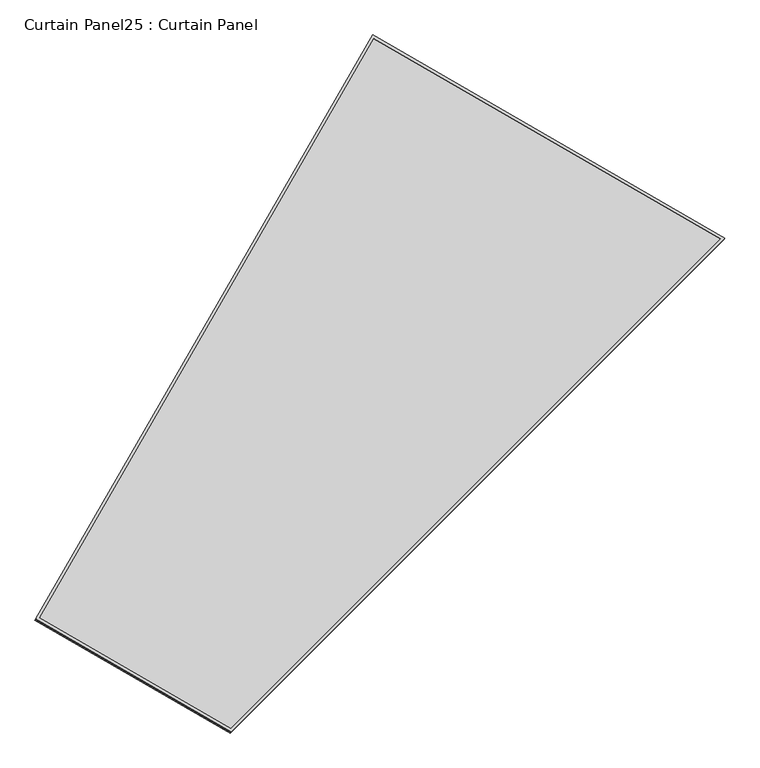
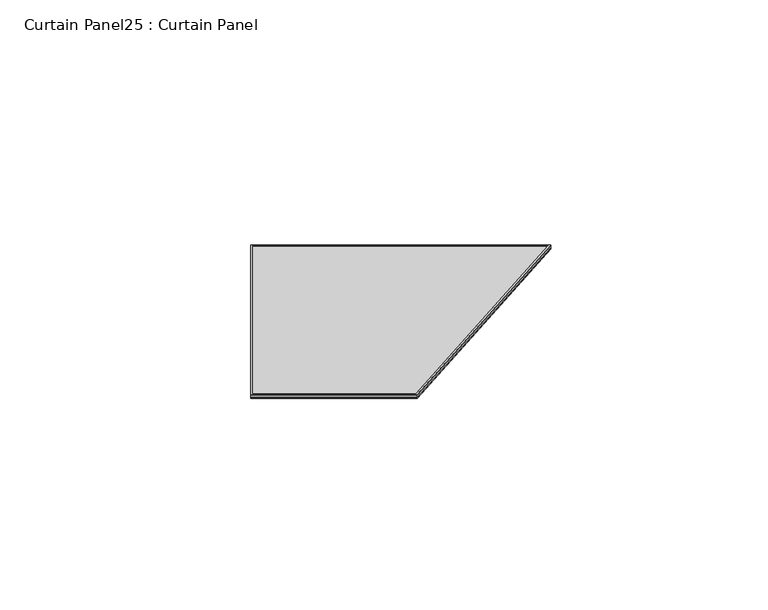
"""IFC4 building model written with IfcOpenShell, lengths in millimetres: plate geometry, Curtain Panel25 : Curtain Panel."""

from ifc_helpers import new_model, si_unit, frame, origin, place, context, project, spatial, polyline, outline, extrude, source, transform, mapped, element, save


def curtain_panel25_curtain_panel_ca54e1e8(model_context):
    return source(origin(), model_context, "Body", "SweptSolid", [
        extrude(outline(polyline([(903.3982322, -2842.276264), (0.0, -2842.276264), (0.0, 0.0), (1625.9225981, -1e-07), (903.3982322, -2842.276264)]), holes=[polyline([(1611.6318022, -11.1125), (11.1125, -11.1125), (11.1125, -2831.163764), (894.7571701, -2831.1637639), (1611.6318022, -11.1125)])]), frame((17732.3250204, 9022.9247285, -9.1330509), z_axis=(0.15807291198690562, 0.2737903148616777, 0.9487106081329141), x_axis=(0.8660254037844339, -0.5000000000000083, 0.0)), (0.0, 0.0, 1.0), 4.8214174),
        extrude(outline(polyline([(903.3982324, -2842.276264), (0.0, -2842.276264), (0.0, 0.0), (1625.9225981, -1e-07), (903.3982324, -2842.276264)]), holes=[polyline([(1611.6318022, -11.1125001), (11.1125001, -11.1125), (11.1125, -2831.163764), (894.7571701, -2831.163764), (1611.6318022, -11.1125001)])]), frame((17729.5354451, 9018.0930424, -25.8753228), z_axis=(0.1580729119869057, 0.2737903148616775, 0.9487106081329142), x_axis=(0.8660254037844336, -0.5000000000000088, 0.0)), (0.0, 0.0, 1.0), 4.4447907),
        extrude(outline(polyline([(-596.6683727, 0.0), (1029.2542254, 0.0), (306.7298596, -2842.2762639), (-596.6683728, -2842.276264), (-596.6683727, 0.0)])), frame((18246.9680145, 8720.9757966, -21.6585028), z_axis=(0.15807291198690576, 0.27379031486167754, 0.9487106081329141), x_axis=(0.866025403784433, -0.5000000000000098, 0.0)), (0.0, 0.0, 1.0), 13.2026054),
    ])


if __name__ == "__main__":
    model = new_model("IFC4")
    model_context = context("Model", 3, world=origin())
    ifc_project = project(units=[si_unit("LENGTHUNIT", "METRE", prefix="MILLI")], contexts=[model_context])
    site = spatial("IfcSite", under=ifc_project)
    building = spatial("IfcBuilding", under=site)
    placement = place(None, origin())
    curtain_panel25_curtain_panel_shape = curtain_panel25_curtain_panel_ca54e1e8(model_context)
    element("IfcPlate", 1, ObjectType="Curtain Panel25 : Curtain Panel", at=placement, inside=building, context=model_context, shape_type="MappedRepresentation", body=[
        mapped(curtain_panel25_curtain_panel_shape, transform((0.0, 0.0, 0.0), x_axis=(1.0, 0.0, 0.0), y_axis=(0.0, 1.0, 0.0), z_axis=(0.0, 0.0, 1.0))),
    ])
    save(model, "model.ifc")
